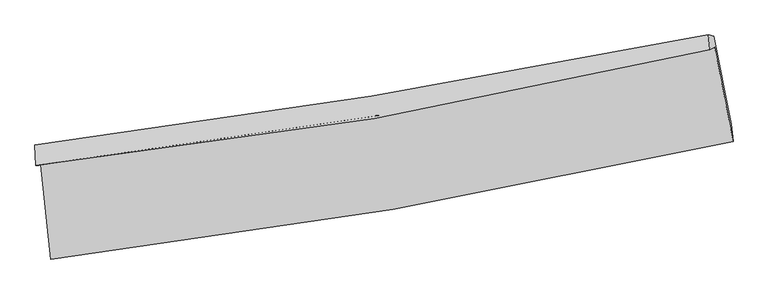
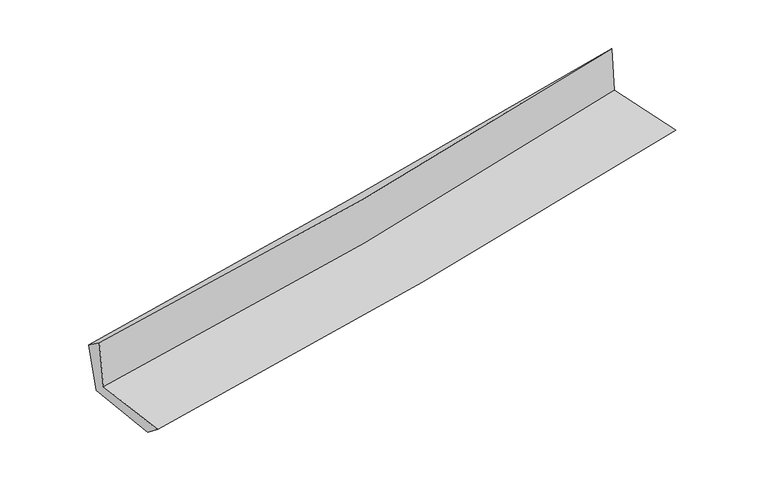
"""IFC4 building model written with IfcOpenShell, lengths in millimetres: proxy geometry."""

from ifc_helpers import new_model, si_unit, frame, origin, place, context, project, spatial, source, transform, mapped, element, save
from ifc_brep_helpers import plane_surface, spline_curve, spline_surface, advanced_brep


def generic_models_0e27872f(model_context):
    return source(origin(), model_context, "Body", "AdvancedBrep", [
        advanced_brep(
        [(-2428.0593522, -1880.6621275, 1649.0595563), (-2356.2131752, -2552.833917, 1648.5966329), (2504.1230897, -1714.5345843, 2114.7180021), (2372.2416213, -1040.579352, 2109.7904536), (-2464.3732913, -1885.2394305, 2055.3305382), (2339.2401534, -1059.3225288, 2505.5025821), (-2470.6325782, -1739.9233258, 1953.0643558), (2328.5370511, -952.620168, 2394.9393626), (-2430.443867, -1780.2901998, 1557.0195057), (2366.2293945, -962.649602, 2009.5718682), (-2361.3119701, -2415.3946795, 1542.8084072), (2490.3072683, -1590.3162258, 2000.6301001)],
        [
            (0, 1),
            (1, 2, spline_curve(3, [(-2356.2131752, -2552.833917, 1648.5966329), (-1540.810432132, -2455.919238554, 1734.365006014), (-728.702680764, -2337.744670954, 1816.038878637), (891.429865569, -2058.443560256, 1971.43809047), (1699.434202803, -1897.185017178, 2045.138007681), (2504.1230897, -1714.5345843, 2114.7180021)], [4, 2, 4], [0.0, 8.069347089054318, 16.16370624737022])),
            (2, 3),
            (3, 0, spline_curve(3, [(2372.2416213, -1040.579352, 2109.7904536), (1579.078101921, -1226.351044777, 2031.166280668), (781.845967401, -1389.316883444, 1953.401869243), (-818.279462841, -1669.203750154, 1799.830208473), (-1621.147652769, -1786.265503069, 1724.017654557), (-2428.0593522, -1880.6621275, 1649.0595563)], [4, 2, 4], [0.0, 8.094359158315903, 16.16370624737022])),
            (4, 0),
            (3, 5),
            (5, 4, spline_curve(3, [(2339.2401534, -1059.3225288, 2505.5025821), (1545.627279168, -1247.826116658, 2433.564477275), (747.893920685, -1410.971643698, 2360.020556135), (-853.335986433, -1686.12080353, 2209.95329939), (-1656.807109708, -1798.280910654, 2133.43987252), (-2464.3732913, -1885.2394305, 2055.3305382)], [4, 2, 4], [0.0, 8.046369489263087, 16.067875200303167])),
            (6, 4),
            (5, 7),
            (7, 6, spline_curve(3, [(2328.5370511, -952.620168, 2394.9393626), (1530.786232866, -1111.491362833, 2333.329755162), (731.358568696, -1256.61584194, 2265.635652851), (-868.374987929, -1518.965402466, 2118.306439167), (-1668.670533898, -1636.275309462, 2038.708872547), (-2470.6325782, -1739.9233258, 1953.0643558)], [4, 2, 4], [0.0, 8.035408396967828, 16.045986886164194])),
            (8, 6),
            (7, 9),
            (9, 8, spline_curve(3, [(2366.2293945, -962.649602, 2009.5718682), (1571.168320861, -1136.519871473, 1942.678906504), (773.292123194, -1291.668232793, 1871.454679353), (-825.616335003, -1564.099574047, 1720.577165382), (-1626.631224436, -1681.498078353, 1640.950605144), (-2430.443867, -1780.2901998, 1557.0195057)], [4, 2, 4], [0.0, 8.028089166634754, 16.031371042371408])),
            (10, 8),
            (9, 11),
            (11, 10, spline_curve(3, [(2490.3072683, -1590.3162258, 2000.6301001), (1685.681142333, -1762.932411757, 1932.818810225), (878.436805646, -1918.076443046, 1860.695658914), (-738.785763003, -2192.994780762, 1708.061821194), (-1548.747839214, -2312.876901025, 1627.577741724), (-2361.3119701, -2415.3946795, 1542.8084072)], [4, 2, 4], [0.0, 8.077138874627936, 16.129318891733462])),
            (1, 10),
            (11, 2),
        ],
        [
            spline_surface(3, 3, [[(-2428.0593522, -1880.6621275, 1649.0595563), (-1621.147652814, -1786.265503195, 1724.017654465), (-818.279462822, -1669.203750096, 1799.830208574), (781.845967382, -1389.316883503, 1953.401869141), (1579.07810187, -1226.35104475, 2031.166280755), (2372.2416213, -1040.579352, 2109.7904536)], [(-2404.110626539, -2104.719390685, 1648.905248503), (-1594.368579217, -2009.483415026, 1727.466771647), (-788.420535515, -1892.05072371, 1805.233098534), (818.373933465, -1612.359109099, 1959.413942923), (1619.196802174, -1449.962368868, 2035.823523075), (2416.202110751, -1265.231096103, 2111.432969753)], [(-2380.161900861, -2328.776653815, 1648.750940697), (-1567.589505601, -2232.701326801, 1730.91588882), (-758.56160817, -2114.897697315, 1810.635988578), (854.901899586, -1835.401334685, 1965.426016788), (1659.315502527, -1673.573692977, 2040.480765435), (2460.162600249, -1489.882840197, 2113.075485947)], [(-2356.2131752, -2552.833917, 1648.5966329), (-1540.810432003, -2455.919238632, 1734.365006002), (-728.702680864, -2337.744670929, 1816.038878538), (891.42986567, -2058.443560281, 1971.43809057), (1699.434202831, -1897.185017095, 2045.138007755), (2504.1230897, -1714.5345843, 2114.7180021)]], [4, 4], [4, 2, 4], [0.0, 2.2192537221582485], [0.0, 8.069347089054318, 16.16370624737022]),
            spline_surface(3, 3, [[(-2464.3732913, -1885.2394305, 2055.3305382), (-1656.807109706, -1798.280910636, 2133.439872439), (-853.33598653, -1686.120803659, 2209.953299362), (747.893920782, -1410.971643569, 2360.020556162), (1545.627279195, -1247.826116656, 2433.564477156), (2339.2401534, -1059.3225288, 2505.5025821)], [(-2452.268644944, -1883.71366282, 1919.906877564), (-1644.920624086, -1794.275774809, 1996.965799779), (-841.650478612, -1680.481785818, 2073.245602438), (759.211269663, -1403.753390228, 2224.480993827), (1556.77755343, -1240.667759355, 2299.431745017), (2350.24064271, -1053.074803201, 2373.598539262)], [(-2440.163998556, -1882.18789518, 1784.483216936), (-1633.034138435, -1790.270639022, 1860.491727126), (-829.964970739, -1674.842767936, 1936.537905498), (770.5286185, -1396.535136844, 2088.941431477), (1567.927827635, -1233.509402051, 2165.299012894), (2361.24113199, -1046.827077599, 2241.694496438)], [(-2428.0593522, -1880.6621275, 1649.0595563), (-1621.147652814, -1786.265503195, 1724.017654465), (-818.279462822, -1669.203750096, 1799.830208574), (781.845967382, -1389.316883503, 1953.401869141), (1579.07810187, -1226.35104475, 2031.166280755), (2372.2416213, -1040.579352, 2109.7904536)]], [4, 4], [4, 2, 4], [0.0, 1.3460442687577931], [0.0, 8.02150571104008, 16.067875200303167]),
            spline_surface(3, 3, [[(-2470.6325782, -1739.9233258, 1953.0643558), (-1668.67053383, -1636.27530957, 2038.708872451), (-868.374988045, -1518.965402591, 2118.306439126), (731.358568812, -1256.615841814, 2265.635652892), (1530.786232817, -1111.491362827, 2333.329755148), (2328.5370511, -952.620168, 2394.9393626)], [(-2468.546149228, -1788.362027378, 1987.153083249), (-1664.716059117, -1690.277176604, 2070.28587243), (-863.361987547, -1574.683869608, 2148.855392546), (736.870352795, -1308.067775727, 2297.097287324), (1535.733248281, -1156.936280761, 2366.741329157), (2332.104751872, -988.18762159, 2431.793769106)], [(-2466.459720272, -1836.800728922, 2021.241810751), (-1660.761584419, -1744.279043603, 2101.862872461), (-858.348987028, -1630.402336642, 2179.404345942), (742.382136799, -1359.519709657, 2328.55892173), (1540.68026373, -1202.381198723, 2400.152903147), (2335.672452628, -1023.75507521, 2468.648175594)], [(-2464.3732913, -1885.2394305, 2055.3305382), (-1656.807109706, -1798.280910636, 2133.439872439), (-853.33598653, -1686.120803659, 2209.953299362), (747.893920782, -1410.971643569, 2360.020556162), (1545.627279195, -1247.826116656, 2433.564477156), (2339.2401534, -1059.3225288, 2505.5025821)]], [4, 4], [4, 2, 4], [0.0, 0.6114875219047254], [0.0, 8.010578489196366, 16.045986886164194]),
            spline_surface(3, 3, [[(-2430.443867, -1780.2901998, 1557.0195057), (-1626.631224364, -1681.498078353, 1640.950605038), (-825.61633495, -1564.099573919, 1720.577165422), (773.292123141, -1291.668232921, 1871.454679312), (1571.168320915, -1136.519871422, 1942.678906443), (2366.2293945, -962.649602, 2009.5718682)], [(-2443.84010407, -1766.834575112, 1689.034455733), (-1640.644327523, -1666.423822071, 1773.536694175), (-839.86921932, -1549.054850128, 1853.153589995), (759.314271692, -1279.984102537, 2002.848337177), (1557.707624878, -1128.177035219, 2072.89585602), (2353.665280029, -959.306457329, 2138.027699675)], [(-2457.23634113, -1753.378950488, 1821.049405767), (-1654.657430671, -1651.349565852, 1906.122783314), (-854.122103674, -1534.010126382, 1985.730014553), (745.336420261, -1268.299972199, 2134.241995027), (1544.246928854, -1119.83419903, 2203.112805571), (2341.101165571, -955.963312671, 2266.483531125)], [(-2470.6325782, -1739.9233258, 1953.0643558), (-1668.67053383, -1636.27530957, 2038.708872451), (-868.374988045, -1518.965402591, 2118.306439126), (731.358568812, -1256.615841814, 2265.635652892), (1530.786232817, -1111.491362827, 2333.329755148), (2328.5370511, -952.620168, 2394.9393626)]], [4, 4], [4, 2, 4], [0.0, 1.3130550981534195], [0.0, 8.003281875736654, 16.031371042371408]),
            spline_surface(3, 3, [[(-2361.3119701, -2415.3946795, 1542.8084072), (-1548.747839235, -2312.876901026, 1627.577741724), (-738.78576301, -2192.994780892, 1708.061821237), (878.436805653, -1918.076442916, 1860.69565887), (1685.68114223, -1762.932411783, 1932.818810323), (2490.3072683, -1590.3162258, 2000.6301001)], [(-2384.355935721, -2203.693186287, 1547.545440033), (-1574.708967598, -2102.417293488, 1632.035362828), (-767.729286989, -1983.363045238, 1712.233602646), (843.38857815, -1709.273706255, 1864.281999031), (1647.510201795, -1554.128231666, 1936.105509022), (2448.947977036, -1381.09401787, 2003.610689458)], [(-2407.399901379, -1991.991693013, 1552.282472867), (-1600.670096, -1891.957685891, 1636.492983934), (-796.672810971, -1773.731309573, 1716.405384013), (808.340350643, -1500.470969582, 1867.868339151), (1609.33926135, -1345.324051538, 1939.392207744), (2407.588685764, -1171.87180993, 2006.591278842)], [(-2430.443867, -1780.2901998, 1557.0195057), (-1626.631224364, -1681.498078353, 1640.950605038), (-825.61633495, -1564.099573919, 1720.577165422), (773.292123141, -1291.668232921, 1871.454679312), (1571.168320915, -1136.519871422, 1942.678906443), (2366.2293945, -962.649602, 2009.5718682)]], [4, 4], [4, 2, 4], [0.0, 2.0835174510346457], [0.0, 8.052180017105526, 16.129318891733462]),
            spline_surface(3, 3, [[(-2356.2131752, -2552.833917, 1648.5966329), (-1540.810432003, -2455.919238632, 1734.365006002), (-728.702680864, -2337.744670929, 1816.038878538), (891.42986567, -2058.443560281, 1971.43809057), (1699.434202831, -1897.185017095, 2045.138007755), (2504.1230897, -1714.5345843, 2114.7180021)], [(-2357.912773498, -2507.020837818, 1613.333891018), (-1543.456234412, -2408.238459414, 1698.76925126), (-732.063708237, -2289.494707583, 1780.0465261), (887.098845673, -2011.654521159, 1934.523946666), (1694.849849299, -1852.434148665, 2007.69827529), (2499.517815902, -1673.128464807, 2076.688701445)], [(-2359.612371802, -2461.207758682, 1578.071149082), (-1546.102036826, -2360.557680243, 1663.173496465), (-735.424735638, -2241.244744237, 1744.054173675), (882.767825649, -1964.865482037, 1897.609802774), (1690.265495762, -1807.683280213, 1970.258542789), (2494.912542098, -1631.722345293, 2038.659400755)], [(-2361.3119701, -2415.3946795, 1542.8084072), (-1548.747839235, -2312.876901026, 1627.577741724), (-738.78576301, -2192.994780892, 1708.061821237), (878.436805653, -1918.076442916, 1860.69565887), (1685.68114223, -1762.932411783, 1932.818810323), (2490.3072683, -1590.3162258, 2000.6301001)]], [4, 4], [4, 2, 4], [0.0, 0.5906851904006758], [0.0, 8.107556092663906, 16.24024268873706]),
            plane_surface(frame((2400.1130964, -1220.0037435, 2189.1920615), z_axis=(0.977226988572804, 0.19188886406284605, 0.09058739787409538), x_axis=(-0.09731167352084329, 0.025893349153152723, 0.9949170682354413))),
            plane_surface(frame((-2418.5057057, -2042.3906133, 1734.313166), z_axis=(-0.9903332771995412, -0.1057916019379763, -0.08971140970140563), x_axis=(-0.10628121036219103, 0.9943358765411165, 0.0006847971650474683))),
        ],
        [
            (0, [[1, 2, 3, 4]]),
            (1, [[5, -4, 6, 7]]),
            (2, [[8, -7, 9, 10]]),
            (3, [[11, -10, 12, 13]]),
            (4, [[14, -13, 15, 16]]),
            (5, [[17, -16, 18, -2]]),
            (6, [[-12, -9, -6, -3, -18, -15]]),
            (7, [[-1, -5, -8, -11, -14, -17]]),
        ],
    ),
    ])


if __name__ == "__main__":
    model = new_model("IFC4")
    model_context = context("Model", 3, world=origin())
    ifc_project = project(units=[si_unit("LENGTHUNIT", "METRE", prefix="MILLI")], contexts=[model_context])
    site = spatial("IfcSite", under=ifc_project)
    building = spatial("IfcBuilding", under=site)
    placement = place(None, origin())
    generic_models_shape = generic_models_0e27872f(model_context)
    element("IfcBuildingElementProxy", 1, Name="Generic Models", at=placement, inside=building, context=model_context, shape_type="MappedRepresentation", body=[
        mapped(generic_models_shape, transform((0.0, 0.0, 0.0), x_axis=(1.0, 0.0, 0.0), y_axis=(0.0, 1.0, 0.0), z_axis=(0.0, 0.0, 1.0))),
    ])
    save(model, "model.ifc")
